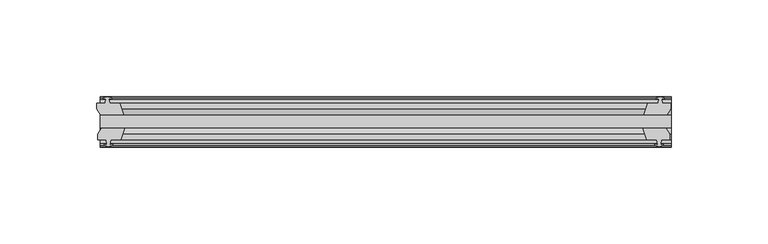
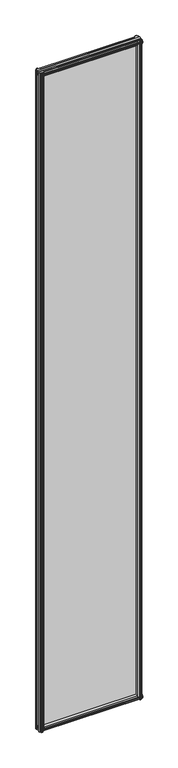
"""IFC4 building model written with IfcOpenShell, lengths in millimetres: plate geometry."""

import ifcopenshell
import ifcopenshell.guid

model = None  # the IFC model being written
_history = None  # IfcOwnerHistory: only IFC2X3 demands one
_inside = {}  # id of a spatial element -> (the spatial element, [elements in it])
_under = {}  # id of a project, library or spatial element -> (it, [spatial elements below it])
_declared = {}  # id of a project -> (the project, [libraries it declares])
_typed = {}  # id of a type object -> (the type object, [elements of that type])
_made_of = {}  # id of a material, layer set ... -> (it, [elements and type objects made of it])


def new_model(schema):
    """Start an empty IFC model of exactly this schema.

    Asked for "IFC4X3", IfcOpenShell would pick the latest addendum, in which some entities
    have other attributes; the version numbers below select the first issue.
    IFC2X3 requires an IfcOwnerHistory on every rooted entity: one is made here for all.
    """
    global model, _history
    if schema == "IFC4X3":
        model = ifcopenshell.file(schema_version=(4, 3, 0, 0))
    else:
        model = ifcopenshell.file(schema=schema)
    _inside.clear()
    _under.clear()
    _declared.clear()
    _typed.clear()
    _made_of.clear()
    _history = None
    if model.schema == "IFC2X3":
        org = make("IfcOrganization", Name="unknown")
        user = make(
            "IfcPersonAndOrganization",
            ThePerson=make("IfcPerson", FamilyName="unknown"),
            TheOrganization=org,
        )
        app = make(
            "IfcApplication",
            ApplicationDeveloper=org,
            Version="unknown",
            ApplicationFullName="unknown",
            ApplicationIdentifier="unknown",
        )
        _history = make(
            "IfcOwnerHistory",
            OwningUser=user,
            OwningApplication=app,
            ChangeAction="ADDED",
            CreationDate=0,
        )
    return model


def make(cls, **values):
    """One entity of the class cls with the attributes given. An attribute that is None is left unset."""
    return model.create_entity(
        cls, **{name: value for name, value in values.items() if value is not None}
    )


def rooted(cls, **values):
    """An entity with a GlobalId (a new one), such as an element, a storey or a relation."""
    return make(cls, GlobalId=ifcopenshell.guid.new(), OwnerHistory=_history, **values)


def si_unit(unit_type, name, prefix=None):
    """IfcSIUnit, for example si_unit("LENGTHUNIT", "METRE", prefix="MILLI")."""
    return make("IfcSIUnit", UnitType=unit_type, Prefix=prefix, Name=name)


def assignment(units):
    """IfcUnitAssignment: the units of a project."""
    return None if units is None else make("IfcUnitAssignment", Units=units)


def point(xyz):
    """IfcCartesianPoint."""
    return None if xyz is None else make("IfcCartesianPoint", Coordinates=xyz)


def direction(xyz):
    """IfcDirection."""
    return None if xyz is None else make("IfcDirection", DirectionRatios=xyz)


def frame(location, z_axis=None, x_axis=None):
    """IfcAxis2Placement3D, a coordinate frame: its origin and axes. An axis left out is left unset."""
    return make(
        "IfcAxis2Placement3D",
        Location=point(location),
        Axis=direction(z_axis),
        RefDirection=direction(x_axis),
    )


def origin():
    """The frame at (0, 0, 0) with its axes left unset."""
    return frame((0.0, 0.0, 0.0))


def place(relative_to, where):
    """IfcLocalPlacement: puts the frame where relative to a parent placement (None: the world)."""
    return make(
        "IfcLocalPlacement", PlacementRelTo=relative_to, RelativePlacement=where
    )


def context(
    kind, dimensions, precision=None, world=None, true_north=None, identifier=None
):
    """IfcGeometricRepresentationContext, for example the 3D "Model" context."""
    return make(
        "IfcGeometricRepresentationContext",
        ContextIdentifier=identifier,
        ContextType=kind,
        CoordinateSpaceDimension=dimensions,
        Precision=precision,
        WorldCoordinateSystem=world,
        TrueNorth=true_north,
    )


def project(units=None, contexts=None):
    """IfcProject with its units and contexts."""
    return rooted(
        "IfcProject",
        Name="project",
        RepresentationContexts=contexts,
        UnitsInContext=assignment(units),
    )


def spatial(cls, under=None, at=None, **own):
    """A site, building, storey or space (cls), placed at a placement, below another one or the project."""
    s = rooted(cls, ObjectPlacement=at, **own)
    if under is not None:
        _under.setdefault(under.id(), (under, []))[1].append(s)
    return s


def polyline(points):
    """IfcPolyline through the points."""
    return make("IfcPolyline", Points=[point(p) for p in points])


def outline(outer, holes=None, kind="AREA"):
    """IfcArbitraryClosedProfileDef: a profile drawn as a closed curve; with holes, ...WithVoids."""
    if holes is None:
        return make("IfcArbitraryClosedProfileDef", ProfileType=kind, OuterCurve=outer)
    return make(
        "IfcArbitraryProfileDefWithVoids",
        ProfileType=kind,
        OuterCurve=outer,
        InnerCurves=holes,
    )


def extrude(swept, where, along, depth):
    """IfcExtrudedAreaSolid: the profile swept, set in the frame where, extruded along a direction by depth."""
    return make(
        "IfcExtrudedAreaSolid",
        SweptArea=swept,
        Position=where,
        ExtrudedDirection=direction(along),
        Depth=depth,
    )


def shape(context_of_items, identifier, shape_type, items):
    """IfcShapeRepresentation: the items that make up one representation, for example the "Body"."""
    return make(
        "IfcShapeRepresentation",
        ContextOfItems=context_of_items,
        RepresentationIdentifier=identifier,
        RepresentationType=shape_type,
        Items=items,
    )


def source(mapping_origin, context_of_items, identifier, shape_type, items):
    """IfcRepresentationMap: a shape defined once, which mapped items show again and again."""
    return make(
        "IfcRepresentationMap",
        MappingOrigin=mapping_origin,
        MappedRepresentation=shape(context_of_items, identifier, shape_type, items),
    )


def transform(
    local_origin,
    x_axis=None,
    y_axis=None,
    z_axis=None,
    scale=None,
    scale2=None,
    scale3=None,
    uniform=True,
):
    """IfcCartesianTransformationOperator3D, or its non-uniform kind. x_axis, y_axis, z_axis: its Axis1, 2, 3."""
    if uniform:
        return make(
            "IfcCartesianTransformationOperator3D",
            Axis1=direction(x_axis),
            Axis2=direction(y_axis),
            LocalOrigin=point(local_origin),
            Scale=scale,
            Axis3=direction(z_axis),
        )
    return make(
        "IfcCartesianTransformationOperator3DnonUniform",
        Axis1=direction(x_axis),
        Axis2=direction(y_axis),
        LocalOrigin=point(local_origin),
        Scale=scale,
        Axis3=direction(z_axis),
        Scale2=scale2,
        Scale3=scale3,
    )


def mapped(mapping_source, mapping_target):
    """IfcMappedItem: shows the shape of a source again, moved by a transform."""
    return make(
        "IfcMappedItem", MappingSource=mapping_source, MappingTarget=mapping_target
    )


def made_of(thing, what):
    """Note that an element or type object is made of a material, layer set ...; save() writes the relation."""
    if what is not None:
        _made_of.setdefault(what.id(), (what, []))[1].append(thing)
    return thing


def element(
    cls,
    number,
    at=None,
    inside=None,
    cuts=None,
    type_object=None,
    material=None,
    context=None,
    identifier="Body",
    shape_type=None,
    held_by="IfcProductDefinitionShape",
    body=None,
    shapes=None,
    **own,
):
    """One element of the class cls, such as IfcWall. Its Tag is "e" and its number.

    at: its placement. inside: the storey or other place that contains it. cuts: it is an
    opening in that element (IfcRelVoidsElement). A single representation is given by context,
    identifier, shape_type and body (its items); several are given by shapes. held_by: the class
    of the entity that holds the representations. save() writes the other relations.
    """
    e = rooted(cls, Tag="e%d" % number, ObjectPlacement=at, **own)
    if body is not None:
        shapes = [shape(context, identifier, shape_type, body)]
    if shapes is not None:
        e.Representation = make(held_by, Representations=shapes)
    if inside is not None:
        _inside.setdefault(inside.id(), (inside, []))[1].append(e)
    if cuts is not None:
        rooted(
            "IfcRelVoidsElement", RelatingBuildingElement=cuts, RelatedOpeningElement=e
        )
    if type_object is not None:
        _typed.setdefault(type_object.id(), (type_object, []))[1].append(e)
    return made_of(e, material)


def aggregate(whole, parts):
    """IfcRelAggregates: a whole, such as a stair, and the parts it consists of."""
    return rooted("IfcRelAggregates", RelatingObject=whole, RelatedObjects=parts)


def save(model, path):
    """Write the relations noted so far, then the file.

    IfcRelAggregates (storeys below a building ...), IfcRelContainedInSpatialStructure (elements
    in a storey), IfcRelDefinesByType, IfcRelAssociatesMaterial and IfcRelDeclares: one each for
    every whole, place, type object, material and project.
    """
    for whole, parts in _under.values():
        aggregate(whole, parts)
    for where, things in _inside.values():
        rooted(
            "IfcRelContainedInSpatialStructure",
            RelatedElements=things,
            RelatingStructure=where,
        )
    for kind, things in _typed.values():
        rooted("IfcRelDefinesByType", RelatedObjects=things, RelatingType=kind)
    for what, things in _made_of.values():
        rooted("IfcRelAssociatesMaterial", RelatedObjects=things, RelatingMaterial=what)
    for by, libraries in _declared.values():
        rooted("IfcRelDeclares", RelatingContext=by, RelatedDefinitions=libraries)
    model.write(path)


def plate_943433cb(model_context):
    return source(origin(), model_context, "Body", "SweptSolid", [
        extrude(outline(polyline([(-146.9244331, -19.5460937), (149.0080269, -19.5460937), (149.0080269, -25.8960937), (-146.9244331, -25.8960937), (-146.9244331, -19.5460937)])), frame((0.0, 0.0, -12.7), z_axis=(0.0, 0.0, 1.0), x_axis=(1.0, 0.0, 0.0)), (0.0, 0.0, 1.0), 2019.3),
        extrude(outline(polyline([(146.0333306, -25.8960937), (148.2460269, -29.2996938), (148.2460269, -32.2460938), (143.8010269, -32.2460938), (143.4200269, -34.6262907), (144.8355559, -34.1663575), (144.8355559, -34.9675717), (142.6580269, -35.6750938), (140.4804978, -34.9675717), (140.4804978, -34.1663575), (141.8960269, -34.6262907), (141.5150269, -32.2460938), (136.3080269, -32.2460938), (134.2027498, -25.8960937), (146.0333306, -25.8960937)])), frame((0.0, 0.0, -12.7), z_axis=(0.0, 0.0, 1.0), x_axis=(1.0, 0.0, 0.0)), (0.0, 0.0, 1.0), 2019.3),
        extrude(outline(polyline([(141.0011978, -10.4746158), (143.1787269, -9.7670938), (145.3562559, -10.4746158), (145.3562559, -11.27583), (143.9407269, -10.8158968), (144.3217269, -13.1960938), (148.7667269, -13.1960938), (148.7667269, -16.1424938), (146.5540306, -19.5460937), (134.7234498, -19.5460937), (136.8287269, -13.1960938), (142.0357269, -13.1960938), (142.4167269, -10.8158968), (141.0011978, -11.27583), (141.0011978, -10.4746158)])), frame((0.0, 0.0, -12.7), z_axis=(0.0, 0.0, 1.0), x_axis=(1.0, 0.0, 0.0)), (0.0, 0.0, 1.0), 2019.3),
        extrude(outline(polyline([(-134.2027498, -25.8960937), (-136.3080269, -32.2460937), (-141.5150269, -32.2460937), (-141.8960269, -34.6262907), (-140.4804978, -34.1663575), (-140.4804978, -34.9675717), (-142.6580269, -35.6750937), (-144.8355559, -34.9675717), (-144.8355559, -34.1663575), (-143.4200269, -34.6262907), (-143.8010269, -32.2460937), (-148.2460269, -32.2460937), (-148.2460269, -29.2996937), (-146.0333306, -25.8960937), (-134.2027498, -25.8960937)])), frame((0.0, 0.0, -12.7), z_axis=(0.0, 0.0, 1.0), x_axis=(1.0, 0.0, 0.0)), (0.0, 0.0, 1.0), 2019.3),
        extrude(outline(polyline([(-143.9407269, -10.8158968), (-145.3562559, -11.27583), (-145.3562559, -10.4746158), (-143.1787269, -9.7670937), (-141.0011978, -10.4746158), (-141.0011978, -11.27583), (-142.4167269, -10.8158968), (-142.0357269, -13.1960937), (-136.8287269, -13.1960937), (-134.7234498, -19.5460937), (-146.5540306, -19.5460937), (-148.7667269, -16.1424937), (-148.7667269, -13.1960937), (-144.3217269, -13.1960937), (-143.9407269, -10.8158968)])), frame((0.0, 0.0, -12.7), z_axis=(0.0, 0.0, 1.0), x_axis=(1.0, 0.0, 0.0)), (0.0, 0.0, 1.0), 2019.3),
        extrude(outline(polyline([(-13.1960937, 2006.3587), (-13.1960937, 2001.9137), (-10.8158968, 2001.5327), (-11.27583, 2002.9482291), (-10.4746158, 2002.9482291), (-9.7670937, 2000.7707), (-10.4746158, 1998.5931709), (-11.27583, 1998.5931709), (-10.8158968, 2000.0087), (-13.1960937, 1999.6277), (-13.1960937, 1994.4207), (-19.5460937, 1992.3154229), (-19.5460937, 2004.1460038), (-16.1424937, 2006.3587), (-13.1960937, 2006.3587)])), frame((-146.9244331, 0.0, 0.0), z_axis=(1.0, 0.0, 0.0), x_axis=(0.0, 1.0, 0.0)), (0.0, 0.0, 1.0), 295.93246),
        extrude(outline(polyline([(-29.2996937, 2005.838), (-25.8960937, 2003.6253038), (-25.8960937, 1991.7947229), (-32.2460937, 1993.9), (-32.2460937, 1999.107), (-34.6262907, 1999.488), (-34.1663575, 1998.072471), (-34.9675717, 1998.072471), (-35.6750937, 2000.25), (-34.9675717, 2002.4275291), (-34.1663575, 2002.4275291), (-34.6262907, 2001.012), (-32.2460937, 2001.393), (-32.2460937, 2005.838), (-29.2996937, 2005.838)])), frame((-146.9244331, 0.0, 0.0), z_axis=(1.0, 0.0, 0.0), x_axis=(0.0, 1.0, 0.0)), (0.0, 0.0, 1.0), 295.93246),
        extrude(outline(polyline([(-25.8960937, 2.1052771), (-25.8960937, -9.7253038), (-29.2996937, -11.938), (-32.2460937, -11.938), (-32.2460937, -7.493), (-34.6262907, -7.112), (-34.1663575, -8.5275291), (-34.9675717, -8.5275291), (-35.6750937, -6.35), (-34.9675717, -4.1724709), (-34.1663575, -4.1724709), (-34.6262907, -5.588), (-32.2460937, -5.207), (-32.2460937, 0.0), (-25.8960937, 2.1052771)])), frame((-146.9244331, 0.0, 0.0), z_axis=(1.0, 0.0, 0.0), x_axis=(0.0, 1.0, 0.0)), (0.0, 0.0, 1.0), 295.93246),
        extrude(outline(polyline([(-19.5460937, 1.5845771), (-13.1960937, -0.5207), (-13.1960937, -5.7277), (-10.8158968, -6.1087), (-11.27583, -4.6931709), (-10.4746158, -4.6931709), (-9.7670937, -6.8707), (-10.4746158, -9.048229), (-11.27583, -9.048229), (-10.8158968, -7.6327), (-13.1960937, -8.0137), (-13.1960937, -12.4587), (-16.1424937, -12.4587), (-19.5460937, -10.2460038), (-19.5460937, 1.5845771)])), frame((-146.9244331, 0.0, 0.0), z_axis=(1.0, 0.0, 0.0), x_axis=(0.0, 1.0, 0.0)), (0.0, 0.0, 1.0), 295.93246),
    ])


if __name__ == "__main__":
    model = new_model("IFC4")
    model_context = context("Model", 3, world=origin())
    ifc_project = project(units=[si_unit("LENGTHUNIT", "METRE", prefix="MILLI")], contexts=[model_context])
    site = spatial("IfcSite", under=ifc_project)
    building = spatial("IfcBuilding", under=site)
    placement = place(None, origin())
    plate_shape = plate_943433cb(model_context)
    element("IfcPlate", 1, at=placement, inside=building, context=model_context, shape_type="MappedRepresentation", body=[
        mapped(plate_shape, transform((0.0, 0.0, 0.0), x_axis=(1.0, 0.0, 0.0), y_axis=(0.0, 1.0, 0.0), z_axis=(0.0, 0.0, 1.0))),
    ])
    save(model, "model.ifc")
